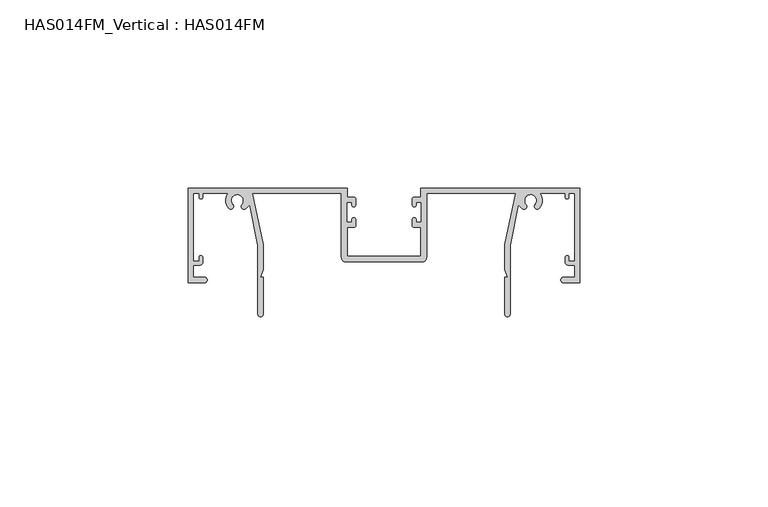
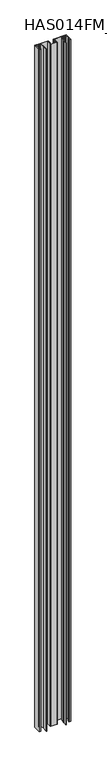
"""IFC4 building model written with IfcOpenShell, lengths in millimetres: beam geometry, HAS014FM_Vertical : HAS014FM."""

from ifc_helpers import new_model, si_unit, point, frame, frame_2d, origin, place, context, project, spatial, polyline, circle_curve, trimmed, segment, composite_curve, outline, extrude, source, transform, mapped, element, save


def has014fm_vertical_has014fm_1474389b(model_context):
    return source(origin(), model_context, "Body", "SweptSolid", [
        extrude(outline(composite_curve([segment(polyline([(9.7397316, 31.7708648), (9.7397316, 34.1298825), (51.998773, 34.1298825), (51.998773, 9.0339496), (47.6822725, 9.0339496)]), True, "CONTINUOUS"), segment(trimmed(circle_curve(frame_2d((47.6822725, 9.7366357)), 0.7026861), [point((47.6822725, 9.0339496))], [point((47.6822725, 10.4393218))], False, "CARTESIAN"), True, "CONTINUOUS"), segment(polyline([(47.6822725, 10.4393218), (50.6435926, 10.4393218), (50.6435926, 13.7017931), (48.9370692, 13.7017931)]), True, "CONTINUOUS"), segment(trimmed(circle_curve(frame_2d((48.9370692, 14.504863)), 0.8030699), [point((48.9370692, 13.7017931))], [point((48.1339993, 14.504863))], False, "CARTESIAN"), True, "CONTINUOUS"), segment(polyline([(48.1339993, 14.504863), (48.1339993, 15.7094677)]), True, "CONTINUOUS"), segment(trimmed(circle_curve(frame_2d((48.635918, 15.7094677)), 0.5019187), [point((48.1339993, 15.7094677))], [point((49.1378366, 15.7094677))], False, "CARTESIAN"), True, "CONTINUOUS"), segment(polyline([(49.1378366, 15.7094677), (49.1378366, 14.7056304), (50.6435926, 14.7056304), (50.6435926, 32.7747021), (49.1378366, 32.7747021), (49.1378366, 31.7708648)]), True, "CONTINUOUS"), segment(trimmed(circle_curve(frame_2d((48.635918, 31.7708648)), 0.5019187), [point((49.1378366, 31.7708648))], [point((48.1339993, 31.7708648))], False, "CARTESIAN"), True, "CONTINUOUS"), segment(polyline([(48.1339993, 31.7708648), (48.1339993, 32.7747021), (41.4082317, 32.7747021)]), True, "CONTINUOUS"), segment(trimmed(circle_curve(frame_2d((38.9488879, 30.8679975)), 3.1118957), [point((41.4082317, 32.7747021))], [point((41.283567, 28.810531))], False, "CARTESIAN"), True, "CONTINUOUS"), segment(trimmed(circle_curve(frame_2d((40.7187253, 29.3083052)), 0.752878), [point((41.283567, 28.810531))], [point((40.1538836, 29.8060793))], False, "CARTESIAN"), True, "CONTINUOUS"), segment(trimmed(circle_curve(frame_2d((38.9488879, 30.8679975)), 1.6061397), [point((40.1538836, 29.8060793))], [point((39.0041772, 32.4731853))], True, "CARTESIAN"), True, "CONTINUOUS"), segment(trimmed(circle_curve(frame_2d((38.9488879, 30.8679975)), 1.6061397), [point((39.0041772, 32.4731853))], [point((37.7438922, 29.8060793))], True, "CARTESIAN"), True, "CONTINUOUS"), segment(trimmed(circle_curve(frame_2d((37.1790505, 29.3083052)), 0.752878), [point((37.7438922, 29.8060793))], [point((36.6142088, 28.810531))], False, "CARTESIAN"), True, "CONTINUOUS"), segment(polyline([(36.6142088, 28.810531), (35.692704, 29.7320358), (33.4779745, 18.9347678), (33.4779745, 0.6775902)]), True, "CONTINUOUS"), segment(trimmed(circle_curve(frame_2d((32.8003843, 0.6775902)), 0.6775902), [point((33.4779745, 0.6775902))], [point((32.1227941, 0.6775902))], False, "CARTESIAN"), True, "CONTINUOUS"), segment(polyline([(32.1227941, 0.6775902), (32.1227941, 10.5402918), (32.925864, 10.5402918), (32.1227941, 12.4331683), (32.1227941, 19.0723228), (34.9335386, 32.7752884), (11.2956794, 32.7752884), (11.2956794, 15.7596596)]), True, "CONTINUOUS"), segment(trimmed(circle_curve(frame_2d((10.0910746, 15.7596596)), 1.2046048), [point((11.2956794, 15.7596596))], [point((10.0910746, 14.5550548))], False, "CARTESIAN"), True, "CONTINUOUS"), segment(polyline([(10.0910746, 14.5550548), (-10.0910746, 14.5550548)]), True, "CONTINUOUS"), segment(trimmed(circle_curve(frame_2d((-10.0910746, 15.7596596)), 1.2046048), [point((-10.0910746, 14.5550548))], [point((-11.2956794, 15.7596596))], False, "CARTESIAN"), True, "CONTINUOUS"), segment(polyline([(-11.2956794, 15.7596596), (-11.2956794, 32.7752884), (-34.9335386, 32.7752884), (-32.1227941, 19.0723228), (-32.1227941, 12.4331683), (-32.925864, 10.5402918), (-32.1227941, 10.5402918), (-32.1227941, 0.6775902)]), True, "CONTINUOUS"), segment(trimmed(circle_curve(frame_2d((-32.8003843, 0.6775902)), 0.6775902), [point((-32.1227941, 0.6775902))], [point((-33.4779745, 0.6775902))], False, "CARTESIAN"), True, "CONTINUOUS"), segment(polyline([(-33.4779745, 0.6775902), (-33.4779745, 18.9347678), (-35.692704, 29.7320358), (-36.6142088, 28.810531)]), True, "CONTINUOUS"), segment(trimmed(circle_curve(frame_2d((-37.1790505, 29.3083052)), 0.752878), [point((-36.6142088, 28.810531))], [point((-37.7438922, 29.8060793))], False, "CARTESIAN"), True, "CONTINUOUS"), segment(trimmed(circle_curve(frame_2d((-38.9488879, 30.8679975)), 1.6061397), [point((-37.7438922, 29.8060793))], [point((-38.9120232, 32.4737141))], True, "CARTESIAN"), True, "CONTINUOUS"), segment(trimmed(circle_curve(frame_2d((-38.9488879, 30.8679975)), 1.6061397), [point((-38.9120232, 32.4737141))], [point((-40.1538835, 29.8060793))], True, "CARTESIAN"), True, "CONTINUOUS"), segment(trimmed(circle_curve(frame_2d((-40.7187253, 29.3083052)), 0.752878), [point((-40.1538835, 29.8060793))], [point((-41.283567, 28.810531))], False, "CARTESIAN"), True, "CONTINUOUS"), segment(trimmed(circle_curve(frame_2d((-38.9488879, 30.8679975)), 3.1118957), [point((-41.283567, 28.810531))], [point((-41.4082317, 32.7747021))], False, "CARTESIAN"), True, "CONTINUOUS"), segment(polyline([(-41.4082317, 32.7747021), (-48.1339993, 32.7747021), (-48.1339993, 31.7708648)]), True, "CONTINUOUS"), segment(trimmed(circle_curve(frame_2d((-48.635918, 31.7708648)), 0.5019187), [point((-48.1339993, 31.7708648))], [point((-49.1378366, 31.7708648))], False, "CARTESIAN"), True, "CONTINUOUS"), segment(polyline([(-49.1378366, 31.7708648), (-49.1378366, 32.7747021), (-50.6435926, 32.7747021), (-50.6435926, 14.7056304), (-49.1378366, 14.7056304), (-49.1378366, 15.7094677)]), True, "CONTINUOUS"), segment(trimmed(circle_curve(frame_2d((-48.635918, 15.7094677)), 0.5019187), [point((-49.1378366, 15.7094677))], [point((-48.1339993, 15.7094677))], False, "CARTESIAN"), True, "CONTINUOUS"), segment(polyline([(-48.1339993, 15.7094677), (-48.1339993, 14.504863)]), True, "CONTINUOUS"), segment(trimmed(circle_curve(frame_2d((-48.9370692, 14.504863)), 0.8030699), [point((-48.1339993, 14.504863))], [point((-48.9370692, 13.7017931))], False, "CARTESIAN"), True, "CONTINUOUS"), segment(polyline([(-48.9370692, 13.7017931), (-50.6435926, 13.7017931), (-50.6435926, 10.4393218), (-47.6822725, 10.4393218)]), True, "CONTINUOUS"), segment(trimmed(circle_curve(frame_2d((-47.6822725, 9.7366357)), 0.7026861), [point((-47.6822725, 10.4393218))], [point((-47.6822725, 9.0339496))], False, "CARTESIAN"), True, "CONTINUOUS"), segment(polyline([(-47.6822725, 9.0339496), (-51.998773, 9.0339496), (-51.998773, 34.1298825), (-9.7397316, 34.1298825), (-9.7397316, 31.7708648), (-8.0332081, 31.7708648)]), True, "CONTINUOUS"), segment(trimmed(circle_curve(frame_2d((-8.0332081, 31.2689461)), 0.5019187), [point((-8.0332081, 31.7708648))], [point((-7.5312895, 31.2689461))], False, "CARTESIAN"), True, "CONTINUOUS"), segment(polyline([(-7.5312895, 31.2689461), (-7.5312895, 29.6635739)]), True, "CONTINUOUS"), segment(trimmed(circle_curve(frame_2d((-8.0332081, 29.6635739)), 0.5019187), [point((-7.5312895, 29.6635739))], [point((-8.5351268, 29.6635739))], False, "CARTESIAN"), True, "CONTINUOUS"), segment(polyline([(-8.5351268, 29.6635739), (-8.5351268, 30.4658763), (-9.940499, 30.4658763), (-9.940499, 25.0451548), (-8.5351268, 25.0451548), (-8.5351268, 25.8474572)]), True, "CONTINUOUS"), segment(trimmed(circle_curve(frame_2d((-8.0332081, 25.8474572)), 0.5019187), [point((-8.5351268, 25.8474572))], [point((-7.5312895, 25.8474572))], False, "CARTESIAN"), True, "CONTINUOUS"), segment(polyline([(-7.5312895, 25.8474572), (-7.5312895, 24.2420849)]), True, "CONTINUOUS"), segment(trimmed(circle_curve(frame_2d((-8.0332081, 24.2420849)), 0.5019187), [point((-7.5312895, 24.2420849))], [point((-8.0332081, 23.7401663))], False, "CARTESIAN"), True, "CONTINUOUS"), segment(polyline([(-8.0332081, 23.7401663), (-9.7397316, 23.7401663), (-9.7397316, 16.1110027), (9.7397316, 16.1110027), (9.7397316, 23.7401663), (8.0332081, 23.7401663)]), True, "CONTINUOUS"), segment(trimmed(circle_curve(frame_2d((8.0332081, 24.2420849)), 0.5019187), [point((8.0332081, 23.7401663))], [point((7.5312895, 24.2420849))], False, "CARTESIAN"), True, "CONTINUOUS"), segment(polyline([(7.5312895, 24.2420849), (7.5312895, 25.8474572)]), True, "CONTINUOUS"), segment(trimmed(circle_curve(frame_2d((8.0332081, 25.8474572)), 0.5019187), [point((7.5312895, 25.8474572))], [point((8.5351268, 25.8474572))], False, "CARTESIAN"), True, "CONTINUOUS"), segment(polyline([(8.5351268, 25.8474572), (8.5351268, 25.0451548), (9.940499, 25.0451548), (9.940499, 30.4658763), (8.5351268, 30.4658763), (8.5351268, 29.6635739)]), True, "CONTINUOUS"), segment(trimmed(circle_curve(frame_2d((8.0332081, 29.6635739)), 0.5019187), [point((8.5351268, 29.6635739))], [point((7.5312895, 29.6635739))], False, "CARTESIAN"), True, "CONTINUOUS"), segment(polyline([(7.5312895, 29.6635739), (7.5312895, 31.2689461)]), True, "CONTINUOUS"), segment(trimmed(circle_curve(frame_2d((8.0332081, 31.2689461)), 0.5019187), [point((7.5312895, 31.2689461))], [point((8.0332081, 31.7708648))], False, "CARTESIAN"), True, "CONTINUOUS"), segment(polyline([(8.0332081, 31.7708648), (9.7397316, 31.7708648)]), True, "CONTINUOUS")], self_intersect=False)), frame((0.0, 0.0, -1200.0), z_axis=(0.0, 0.0, 1.0), x_axis=(1.0, 0.0, 0.0)), (0.0, 0.0, 1.0), 2400.0),
    ])


if __name__ == "__main__":
    model = new_model("IFC4")
    model_context = context("Model", 3, world=origin())
    ifc_project = project(units=[si_unit("LENGTHUNIT", "METRE", prefix="MILLI")], contexts=[model_context])
    site = spatial("IfcSite", under=ifc_project)
    building = spatial("IfcBuilding", under=site)
    placement = place(None, origin())
    has014fm_vertical_has014fm_shape = has014fm_vertical_has014fm_1474389b(model_context)
    element("IfcBeam", 1, ObjectType="HAS014FM_Vertical : HAS014FM", at=placement, inside=building, context=model_context, shape_type="MappedRepresentation", body=[
        mapped(has014fm_vertical_has014fm_shape, transform((0.0, 0.0, 0.0), x_axis=(1.0, 0.0, 0.0), y_axis=(0.0, 1.0, 0.0), z_axis=(0.0, 0.0, 1.0))),
    ])
    save(model, "model.ifc")
